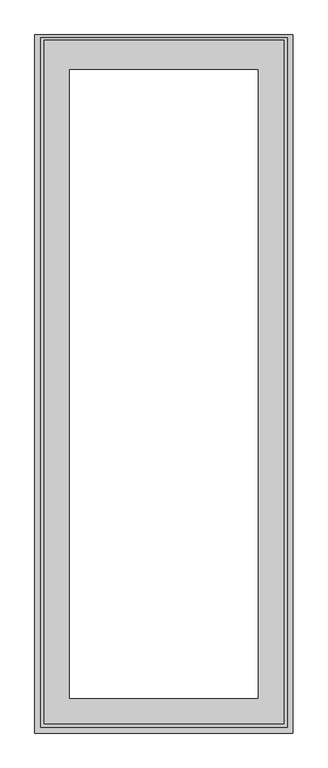
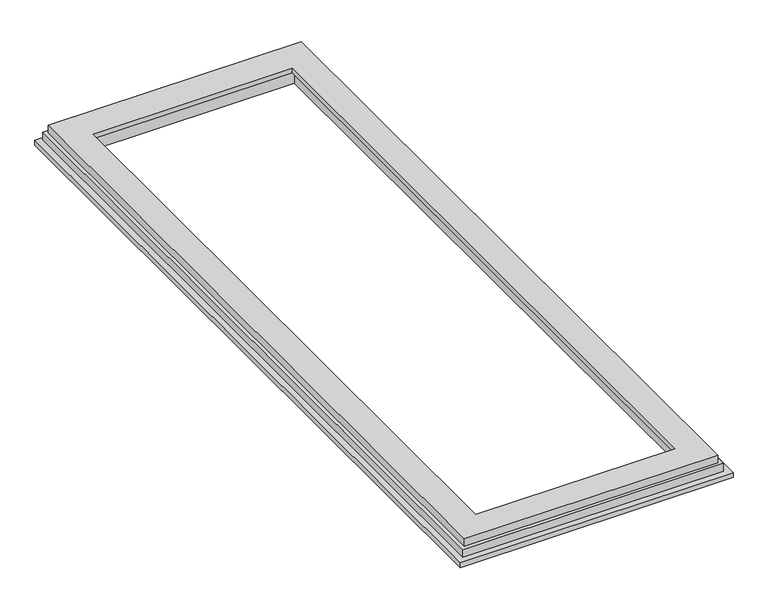
"""IFC4 building model written with IfcOpenShell, lengths in millimetres: proxy geometry."""

from ifc_helpers import new_model, si_unit, origin, place, context, project, spatial, faceted_brep, source, transform, mapped, element, save


def generic_models_56cd03ee(model_context):
    return source(origin(), model_context, "Body", "Brep", [
        faceted_brep([(-1.5, -2396.4, -68.0), (-1.5, -2396.4, -84.5), (884.5, -2396.4, -84.5), (884.5, -2396.4, -68.0), (884.5, -3.0, -84.5), (-1.5, -3.0, -84.5), (100.5, -105.0, -84.5), (100.5, -2294.4, -84.5), (782.5, -2294.4, -84.5), (782.5, -105.0, -84.5), (782.5, -2294.4, -32.5), (782.5, -105.0, -32.5), (100.5, -2294.4, -32.5), (100.5, -105.0, -32.5), (118.5, -123.0, -32.5), (118.5, -2276.4, -32.5), (764.5, -2276.4, -32.5), (764.5, -123.0, -32.5), (764.5, -2276.4, -16.5), (764.5, -123.0, -16.5), (852.5, -2364.4, -16.5), (852.5, -22.0, -16.5), (30.5, -22.0, -16.5), (30.5, -2364.4, -16.5), (118.5, -2276.4, -16.5), (118.5, -123.0, -16.5), (884.5, -3.0, -68.0), (-1.5, -3.0, -68.0), (864.5, -13.0, -68.0), (864.5, -2376.4, -68.0), (18.5, -2376.4, -68.0), (18.5, -13.0, -68.0), (864.5, -13.0, -42.0), (864.5, -2376.4, -42.0), (852.5, -2364.4, -42.0), (852.5, -22.0, -42.0), (18.5, -13.0, -42.0), (18.5, -2376.4, -42.0), (30.5, -2364.4, -42.0), (30.5, -22.0, -42.0)], [[[0, 1, 2, 3]], [[4, 2, 1, 5], [6, 7, 8, 9]], [[9, 8, 10, 11]], [[11, 10, 12, 13], [14, 15, 16, 17]], [[17, 16, 18, 19]], [[20, 21, 22, 23], [19, 18, 24, 25]], [[2, 4, 26, 3]], [[4, 5, 27, 26]], [[3, 26, 27, 0], [28, 29, 30, 31]], [[28, 32, 33, 29]], [[21, 20, 34, 35]], [[32, 36, 37, 33], [34, 38, 39, 35]], [[9, 11, 13, 6]], [[17, 19, 25, 14]], [[13, 12, 7, 6]], [[25, 24, 15, 14]], [[5, 1, 0, 27]], [[30, 37, 36, 31]], [[38, 23, 22, 39]], [[7, 12, 10, 8]], [[18, 16, 15, 24]], [[29, 33, 37, 30]], [[20, 23, 38, 34]], [[31, 36, 32, 28]], [[39, 22, 21, 35]]]),
    ])


if __name__ == "__main__":
    model = new_model("IFC4")
    model_context = context("Model", 3, world=origin())
    ifc_project = project(units=[si_unit("LENGTHUNIT", "METRE", prefix="MILLI")], contexts=[model_context])
    site = spatial("IfcSite", under=ifc_project)
    building = spatial("IfcBuilding", under=site)
    placement = place(None, origin())
    generic_models_shape = generic_models_56cd03ee(model_context)
    element("IfcBuildingElementProxy", 1, Name="Generic Models", at=placement, inside=building, context=model_context, shape_type="MappedRepresentation", body=[
        mapped(generic_models_shape, transform((0.0, 0.0, 0.0), x_axis=(1.0, 0.0, 0.0), y_axis=(0.0, 1.0, 0.0), z_axis=(0.0, 0.0, 1.0))),
    ])
    save(model, "model.ifc")
